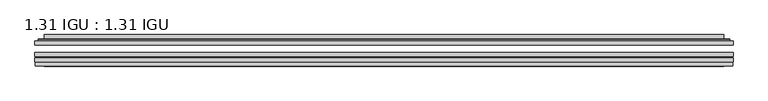
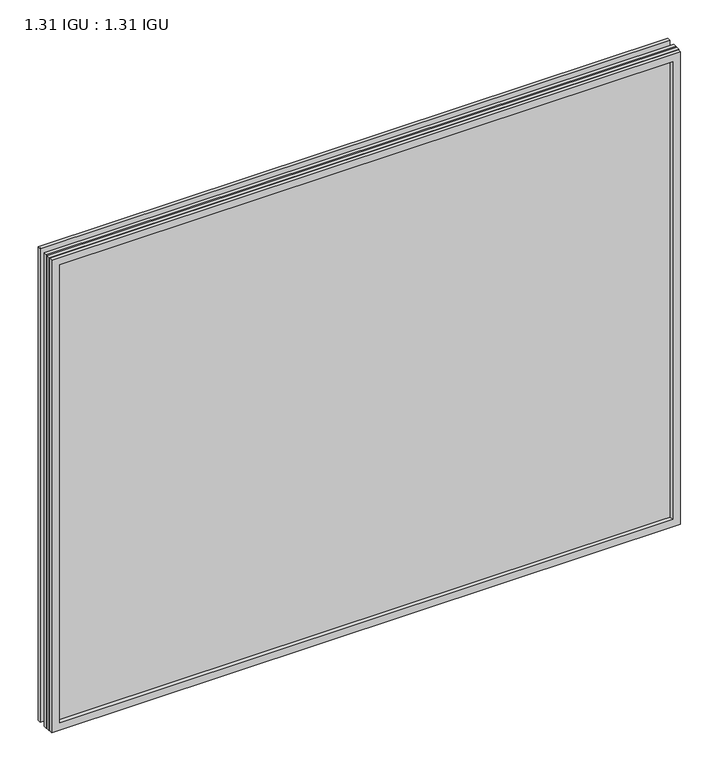
"""IFC4 building model written with IfcOpenShell, lengths in millimetres: plate geometry, 1.31 IGU : 1.31 IGU."""

from ifc_helpers import new_model, si_unit, frame, origin, place, context, project, spatial, polyline, ellipse_curve, outline, extrude, faceted_brep, source, transform, mapped, element, save
from ifc_brep_helpers import plane_surface, cylinder_surface, advanced_brep


def plate_1_31_igu_1_31_igu_3076ecca(model_context):
    return source(origin(), model_context, "Body", "SolidModel", [
        extrude(outline(polyline([(547.70485, -63.59525), (547.70485, -69.94525), (-547.690675, -69.94525), (-547.690675, -63.59525), (547.70485, -63.59525)])), frame((0.0, 0.0, -14.2875), z_axis=(0.0, 0.0, 1.0), x_axis=(1.0, 0.0, 0.0)), (0.0, 0.0, 1.0), 869.9537979),
        extrude(outline(polyline([(-547.690675, -78.58125), (-547.690675, -72.230745), (547.70485, -72.230745), (547.70485, -78.58125), (-547.690675, -78.58125)])), frame((0.0, 0.0, -14.2875), z_axis=(0.0, 0.0, 1.0), x_axis=(1.0, 0.0, 0.0)), (0.0, 0.0, 1.0), 869.9537979),
        extrude(outline(polyline([(547.70485, -45.25645), (547.70485, -51.60645), (-547.690675, -51.60645), (-547.690675, -45.25645), (547.70485, -45.25645)])), frame((0.0, 0.0, -14.2875), z_axis=(0.0, 0.0, 1.0), x_axis=(1.0, 0.0, 0.0)), (0.0, 0.0, 1.0), 869.9537979),
        faceted_brep([(-546.9904892, -84.93125, 854.9623142), (-546.9904892, -78.58125, 854.9623142), (-546.9904892, -78.58125, -13.5873142), (-546.9904892, -84.93125, -13.5873142), (546.9904892, -78.58125, -13.5873142), (546.9904892, -84.93125, -13.5873142), (546.9904892, -78.58125, 854.9623142), (546.9904892, -84.93125, 854.9623142), (-532.5054309, -78.58125, 0.8977441), (532.5054309, -78.58125, 0.8977441), (532.5054309, -78.58125, 840.4772559), (-532.5054309, -78.58125, 840.4772559), (-533.3978652, -84.93125, 841.3696902), (533.3978652, -84.93125, 841.3696902), (533.3978652, -84.93125, 0.0053098), (-533.3978652, -84.93125, 0.0053098)], [[[0, 1, 2, 3]], [[3, 2, 4, 5]], [[5, 4, 6, 7]], [[1, 6, 4, 2], [8, 9, 10, 11]], [[7, 6, 1, 0]], [[3, 5, 7, 0], [12, 13, 14, 15]], [[11, 12, 15, 8]], [[8, 15, 14, 9]], [[9, 14, 13, 10]], [[10, 13, 12, 11]]]),
        advanced_brep(
        [(-540.449394, -45.25645, 848.421219), (-542.8035994, -43.2667833, 850.7754244), (-542.8035994, -43.2667833, -9.4004244), (-540.449394, -45.25645, -7.046219), (-531.3750689, -41.416413, 839.3468939), (-526.4402371, -45.25645, 834.4120621), (-526.4402371, -45.25645, 6.9629379), (-531.3750689, -41.416413, 2.0281061), (-532.4070967, -36.0191819, 840.3789217), (-532.4070967, -36.0191819, 0.9960783), (-533.3977534, -35.6202069, 841.3695784), (-533.3977534, -35.6202069, 0.0054216), (-533.3977534, -42.08145, 841.3695784), (-533.3977534, -42.08145, 0.0054216), (-541.8018099, -42.08145, 849.7736349), (-541.8018099, -42.08145, -8.3986349), (542.8035994, -43.2667833, -9.4004244), (540.449394, -45.25645, -7.046219), (526.4402371, -45.25645, 6.9629379), (531.3750689, -41.416413, 2.0281061), (532.4070967, -36.0191819, 0.9960783), (533.3977534, -35.6202069, 0.0054216), (533.3977534, -42.08145, 0.0054216), (541.8018099, -42.08145, -8.3986349), (542.8035994, -43.2667833, 850.7754244), (540.449394, -45.25645, 848.421219), (526.4402371, -45.25645, 834.4120621), (531.3750689, -41.416413, 839.3468939), (532.4070967, -36.0191819, 840.3789217), (533.3977534, -35.6202069, 841.3695784), (533.3977534, -42.08145, 841.3695784), (541.8018099, -42.08145, 849.7736349)],
        [
            (0, 1, ellipse_curve(frame((-540.449394, -42.86885, 848.421219), z_axis=(-0.7071067811865475, 0.0, -0.7071067811865475), x_axis=(-0.7071067811865474, 0.0, 0.7071067811865476)), 3.3765763, 2.3876)),
            (1, 2),
            (2, 3, ellipse_curve(frame((-540.449394, -42.86885, -7.046219), z_axis=(-0.7071067811865475, 0.0, 0.7071067811865475), x_axis=(0.7071067811865474, 0.0, 0.7071067811865476)), 3.3765763, 2.3876)),
            (3, 0),
            (4, 5),
            (5, 6),
            (6, 7),
            (7, 4),
            (8, 4),
            (7, 9),
            (9, 8),
            (10, 8, ellipse_curve(frame((-533.0307969, -36.1384423, 841.0026219), z_axis=(-0.7071067811865475, 0.0, -0.7071067811865475), x_axis=(-0.7071067811865474, 0.0, 0.7071067811865476)), 0.8980256, 0.635)),
            (9, 11, ellipse_curve(frame((-533.0307969, -36.1384423, 0.3723781), z_axis=(-0.7071067811865475, 0.0, 0.7071067811865475), x_axis=(0.7071067811865474, 0.0, 0.7071067811865476)), 0.8980256, 0.635)),
            (11, 10),
            (12, 10),
            (11, 13),
            (13, 12),
            (1, 14, ellipse_curve(frame((-541.8018099, -43.09745, 849.7736349), z_axis=(-0.7071067811865475, 0.0, -0.7071067811865475), x_axis=(-0.7071067811865474, 0.0, 0.7071067811865476)), 1.436841, 1.016)),
            (14, 15),
            (15, 2, ellipse_curve(frame((-541.8018099, -43.09745, -8.3986349), z_axis=(-0.7071067811865475, 0.0, 0.7071067811865475), x_axis=(0.7071067811865474, 0.0, 0.7071067811865476)), 1.436841, 1.016)),
            (2, 16),
            (16, 17, ellipse_curve(frame((540.449394, -42.86885, -7.046219), z_axis=(-0.7071067811865475, 0.0, -0.7071067811865475), x_axis=(-0.7071067811865476, 0.0, 0.7071067811865474)), 3.3765763, 2.3876)),
            (17, 3),
            (6, 18),
            (18, 19),
            (19, 7),
            (19, 20),
            (20, 9),
            (20, 21, ellipse_curve(frame((533.0307969, -36.1384423, 0.3723781), z_axis=(-0.7071067811865475, 0.0, -0.7071067811865475), x_axis=(-0.7071067811865476, 0.0, 0.7071067811865474)), 0.8980256, 0.635)),
            (21, 11),
            (21, 22),
            (22, 13),
            (15, 23),
            (23, 16, ellipse_curve(frame((541.8018099, -43.09745, -8.3986349), z_axis=(-0.7071067811865475, 0.0, -0.7071067811865475), x_axis=(-0.7071067811865476, 0.0, 0.7071067811865474)), 1.436841, 1.016)),
            (16, 24),
            (24, 25, ellipse_curve(frame((540.449394, -42.86885, 848.421219), z_axis=(0.7071067811865475, 0.0, -0.7071067811865475), x_axis=(-0.7071067811865474, 0.0, -0.7071067811865476)), 3.3765763, 2.3876)),
            (25, 17),
            (18, 26),
            (26, 27),
            (27, 19),
            (27, 28),
            (28, 20),
            (28, 29, ellipse_curve(frame((533.0307969, -36.1384423, 841.0026219), z_axis=(0.7071067811865475, 0.0, -0.7071067811865475), x_axis=(-0.7071067811865474, 0.0, -0.7071067811865476)), 0.8980256, 0.635)),
            (29, 21),
            (29, 30),
            (30, 22),
            (23, 31),
            (31, 24, ellipse_curve(frame((541.8018099, -43.09745, 849.7736349), z_axis=(0.7071067811865475, 0.0, -0.7071067811865475), x_axis=(-0.7071067811865474, 0.0, -0.7071067811865476)), 1.436841, 1.016)),
            (24, 1),
            (0, 25),
            (5, 26),
            (4, 27),
            (8, 28),
            (10, 29),
            (12, 30),
            (14, 31),
        ],
        [
            cylinder_surface(frame((-540.449394, -42.86885, 873.125), z_axis=(0.0, 0.0, 1.0), x_axis=(-1.0, 0.0, 0.0)), 2.3876),
            plane_surface(frame((-526.4402371, -45.25645, 834.4120621), z_axis=(0.6141233906514794, 0.7892100234124821, 0.0), x_axis=(0.0, 0.0, -1.0))),
            plane_surface(frame((-531.3750689, -41.416413, 839.3468939), z_axis=(0.9822050625507729, 0.18781164793386076, 0.0), x_axis=(0.0, 0.0, -1.0))),
            cylinder_surface(frame((-533.0307969, -36.1384423, 873.125), z_axis=(0.0, 0.0, 1.0), x_axis=(-1.0, 0.0, 0.0)), 0.635),
            plane_surface(frame((-533.3977534, -35.6202069, 841.3695784), z_axis=(-1.0, 0.0, 0.0), x_axis=(0.0, 0.0, -1.0))),
            cylinder_surface(frame((-541.8018099, -43.09745, 873.125), z_axis=(0.0, 0.0, 1.0), x_axis=(-1.0, 0.0, 0.0)), 1.016),
            cylinder_surface(frame((-565.153175, -42.86885, -7.046219), z_axis=(-1.0, 0.0, 0.0), x_axis=(0.0, 0.0, -1.0)), 2.3876),
            plane_surface(frame((-526.4402371, -45.25645, 6.9629379), z_axis=(0.0, 0.7892100234124841, 0.6141233906514768), x_axis=(1.0, 0.0, 0.0))),
            plane_surface(frame((-531.3750689, -41.416413, 2.0281061), z_axis=(0.0, 0.18781164793386393, 0.9822050625507723), x_axis=(1.0, 0.0, 0.0))),
            cylinder_surface(frame((-565.153175, -36.1384423, 0.3723781), z_axis=(-1.0, 0.0, 0.0), x_axis=(0.0, 0.0, -1.0)), 0.635),
            plane_surface(frame((-533.3977534, -35.6202069, 0.0054216), z_axis=(0.0, 0.0, -1.0), x_axis=(1.0, 0.0, 0.0))),
            cylinder_surface(frame((-565.153175, -43.09745, -8.3986349), z_axis=(-1.0, 0.0, 0.0), x_axis=(0.0, 0.0, -1.0)), 1.016),
            cylinder_surface(frame((540.449394, -42.86885, -31.75), z_axis=(0.0, 0.0, -1.0), x_axis=(1.0, 0.0, 0.0)), 2.3876),
            plane_surface(frame((526.4402371, -45.25645, 6.9629379), z_axis=(-0.6141233906514743, 0.7892100234124861, 0.0), x_axis=(0.0, 0.0, 1.0))),
            plane_surface(frame((531.3750689, -41.416413, 2.0281061), z_axis=(-0.9822050625507718, 0.1878116479338671, 0.0), x_axis=(0.0, 0.0, 1.0))),
            cylinder_surface(frame((533.0307969, -36.1384423, -31.75), z_axis=(0.0, 0.0, -1.0), x_axis=(1.0, 0.0, 0.0)), 0.635),
            plane_surface(frame((533.3977534, -35.6202069, 0.0054216), z_axis=(1.0, 0.0, 0.0), x_axis=(0.0, 0.0, 1.0))),
            cylinder_surface(frame((541.8018099, -43.09745, -31.75), z_axis=(0.0, 0.0, -1.0), x_axis=(1.0, 0.0, 0.0)), 1.016),
            cylinder_surface(frame((565.153175, -42.86885, 848.421219), z_axis=(1.0, 0.0, 0.0), x_axis=(0.0, 0.0, 1.0)), 2.3876),
            plane_surface(frame((540.449394, -45.25645, 848.421219), z_axis=(0.0, -1.0, 0.0), x_axis=(-1.0, 0.0, 0.0))),
            plane_surface(frame((526.4402371, -45.25645, 834.4120621), z_axis=(0.0, 0.7892100234124841, -0.6141233906514768), x_axis=(-1.0, 0.0, 0.0))),
            plane_surface(frame((531.3750689, -41.416413, 839.3468939), z_axis=(0.0, 0.18781164793386393, -0.9822050625507723), x_axis=(-1.0, 0.0, 0.0))),
            cylinder_surface(frame((565.153175, -36.1384423, 841.0026219), z_axis=(1.0, 0.0, 0.0), x_axis=(0.0, 0.0, 1.0)), 0.635),
            plane_surface(frame((533.3977534, -35.6202069, 841.3695784), z_axis=(0.0, 0.0, 1.0), x_axis=(-1.0, 0.0, 0.0))),
            plane_surface(frame((533.3977534, -42.08145, 841.3695784), z_axis=(0.0, 1.0, 0.0), x_axis=(-1.0, 0.0, 0.0))),
            cylinder_surface(frame((565.153175, -43.09745, 849.7736349), z_axis=(1.0, 0.0, 0.0), x_axis=(0.0, 0.0, 1.0)), 1.016),
        ],
        [
            (0, [[1, 2, 3, 4]]),
            (1, [[5, 6, 7, 8]]),
            (2, [[9, -8, 10, 11]]),
            (3, [[12, -11, 13, 14]]),
            (4, [[15, -14, 16, 17]]),
            (5, [[18, 19, 20, -2]]),
            (6, [[-3, 21, 22, 23]]),
            (7, [[-7, 24, 25, 26]]),
            (8, [[-10, -26, 27, 28]]),
            (9, [[-13, -28, 29, 30]]),
            (10, [[-16, -30, 31, 32]]),
            (11, [[-20, 33, 34, -21]]),
            (12, [[-22, 35, 36, 37]]),
            (13, [[-25, 38, 39, 40]]),
            (14, [[-27, -40, 41, 42]]),
            (15, [[-29, -42, 43, 44]]),
            (16, [[-31, -44, 45, 46]]),
            (17, [[-34, 47, 48, -35]]),
            (18, [[-36, 49, -1, 50]]),
            (19, [[-23, -37, -50, -4], [51, -38, -24, -6]]),
            (20, [[-39, -51, -5, 52]]),
            (21, [[-41, -52, -9, 53]]),
            (22, [[-43, -53, -12, 54]]),
            (23, [[-45, -54, -15, 55]]),
            (24, [[56, -47, -33, -19], [-32, -46, -55, -17]]),
            (25, [[-48, -56, -18, -49]]),
        ],
    ),
    ])


if __name__ == "__main__":
    model = new_model("IFC4")
    model_context = context("Model", 3, world=origin())
    ifc_project = project(units=[si_unit("LENGTHUNIT", "METRE", prefix="MILLI")], contexts=[model_context])
    site = spatial("IfcSite", under=ifc_project)
    building = spatial("IfcBuilding", under=site)
    placement = place(None, origin())
    plate_1_31_igu_1_31_igu_shape = plate_1_31_igu_1_31_igu_3076ecca(model_context)
    element("IfcPlate", 1, ObjectType="1.31 IGU : 1.31 IGU", at=placement, inside=building, context=model_context, shape_type="MappedRepresentation", body=[
        mapped(plate_1_31_igu_1_31_igu_shape, transform((0.0, 0.0, 0.0), x_axis=(1.0, 0.0, 0.0), y_axis=(0.0, 1.0, 0.0), z_axis=(0.0, 0.0, 1.0))),
    ])
    save(model, "model.ifc")
